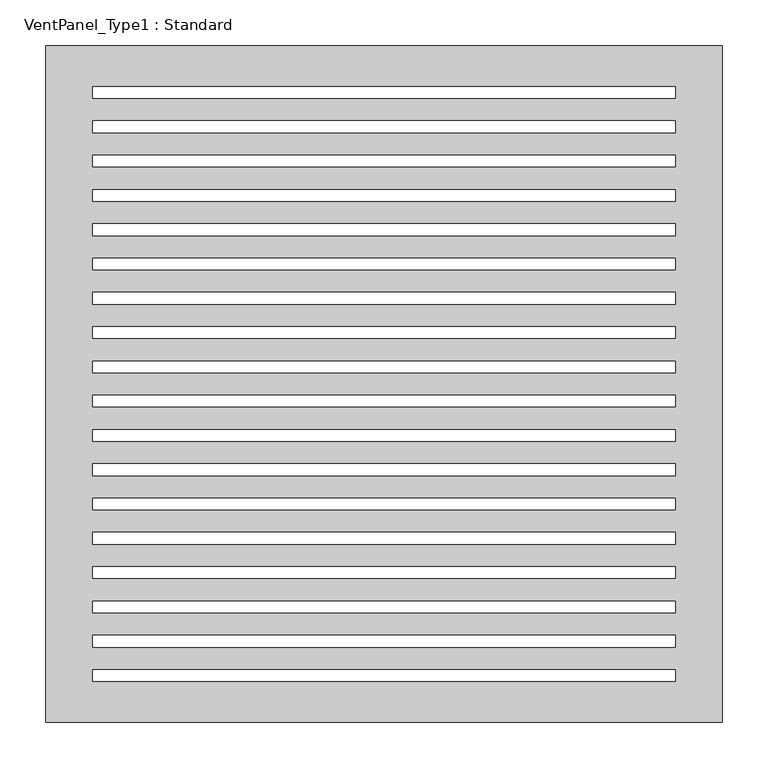
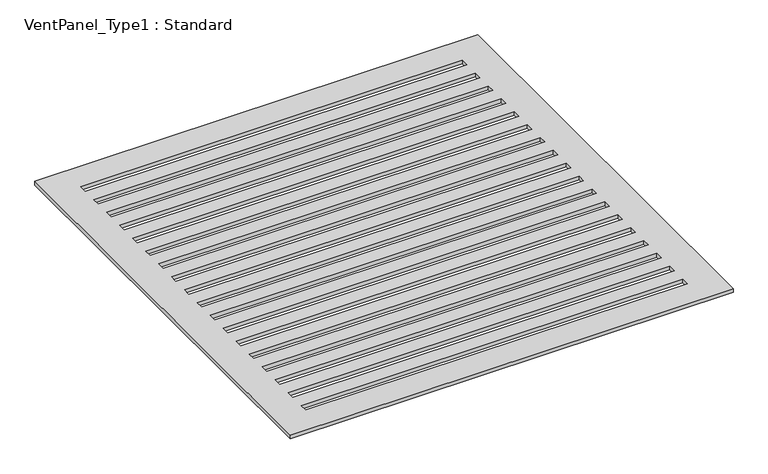
"""IFC4 building model written with IfcOpenShell, lengths in millimetres: proxy geometry, VentPanel_Type1 : Standard."""

from ifc_helpers import new_model, si_unit, origin, origin_with_axes, place, context, project, spatial, polyline, outline, extrude, source, transform, mapped, element, save


def ventpanel_type1_standard_2cba91dd(model_context):
    return source(origin(), model_context, "Body", "SweptSolid", [
        extrude(outline(polyline([(-368.3, 368.3), (368.3, 368.3), (368.3, -368.3), (-368.3, -368.3), (-368.3, 368.3)]), holes=[polyline([(317.5, 273.7970588), (317.5, 286.4970588), (-317.5, 286.4970588), (-317.5, 273.7970588), (317.5, 273.7970588)]), polyline([(317.5, 236.4441176), (317.5, 249.1441176), (-317.5, 249.1441176), (-317.5, 236.4441176), (317.5, 236.4441176)]), polyline([(317.5, 199.0911765), (317.5, 211.7911765), (-317.5, 211.7911765), (-317.5, 199.0911765), (317.5, 199.0911765)]), polyline([(317.5, 161.7382353), (317.5, 174.4382353), (-317.5, 174.4382353), (-317.5, 161.7382353), (317.5, 161.7382353)]), polyline([(317.5, -323.85), (317.5, -311.15), (-317.5, -311.15), (-317.5, -323.85), (317.5, -323.85)]), polyline([(317.5, 311.15), (317.5, 323.85), (-317.5, 323.85), (-317.5, 311.15), (317.5, 311.15)]), polyline([(317.5, 124.3852941), (317.5, 137.0852941), (-317.5, 137.0852941), (-317.5, 124.3852941), (317.5, 124.3852941)]), polyline([(317.5, 87.0323529), (317.5, 99.7323529), (-317.5, 99.7323529), (-317.5, 87.0323529), (317.5, 87.0323529)]), polyline([(317.5, 49.6794118), (317.5, 62.3794118), (-317.5, 62.3794118), (-317.5, 49.6794118), (317.5, 49.6794118)]), polyline([(317.5, 12.3264706), (317.5, 25.0264706), (-317.5, 25.0264706), (-317.5, 12.3264706), (317.5, 12.3264706)]), polyline([(317.5, -25.0264706), (317.5, -12.3264706), (-317.5, -12.3264706), (-317.5, -25.0264706), (317.5, -25.0264706)]), polyline([(317.5, -62.3794118), (317.5, -49.6794118), (-317.5, -49.6794118), (-317.5, -62.3794118), (317.5, -62.3794118)]), polyline([(317.5, -99.7323529), (317.5, -87.0323529), (-317.5, -87.0323529), (-317.5, -99.7323529), (317.5, -99.7323529)]), polyline([(317.5, -137.0852941), (317.5, -124.3852941), (-317.5, -124.3852941), (-317.5, -137.0852941), (317.5, -137.0852941)]), polyline([(317.5, -174.4382353), (317.5, -161.7382353), (-317.5, -161.7382353), (-317.5, -174.4382353), (317.5, -174.4382353)]), polyline([(317.5, -211.7911765), (317.5, -199.0911765), (-317.5, -199.0911765), (-317.5, -211.7911765), (317.5, -211.7911765)]), polyline([(317.5, -249.1441176), (317.5, -236.4441176), (-317.5, -236.4441176), (-317.5, -249.1441176), (317.5, -249.1441176)]), polyline([(317.5, -286.4970588), (317.5, -273.7970588), (-317.5, -273.7970588), (-317.5, -286.4970588), (317.5, -286.4970588)])]), origin_with_axes(), (0.0, 0.0, 1.0), 6.35),
    ])


if __name__ == "__main__":
    model = new_model("IFC4")
    model_context = context("Model", 3, world=origin())
    ifc_project = project(units=[si_unit("LENGTHUNIT", "METRE", prefix="MILLI")], contexts=[model_context])
    site = spatial("IfcSite", under=ifc_project)
    building = spatial("IfcBuilding", under=site)
    placement = place(None, origin())
    ventpanel_type1_standard_shape = ventpanel_type1_standard_2cba91dd(model_context)
    element("IfcBuildingElementProxy", 1, Name="VentPanel_Type1 : Standard", ObjectType="VentPanel_Type1 : Standard", at=placement, inside=building, context=model_context, shape_type="MappedRepresentation", body=[
        mapped(ventpanel_type1_standard_shape, transform((0.0, 0.0, 0.0), x_axis=(1.0, 0.0, 0.0), y_axis=(0.0, 1.0, 0.0), z_axis=(0.0, 0.0, 1.0))),
    ])
    save(model, "model.ifc")
